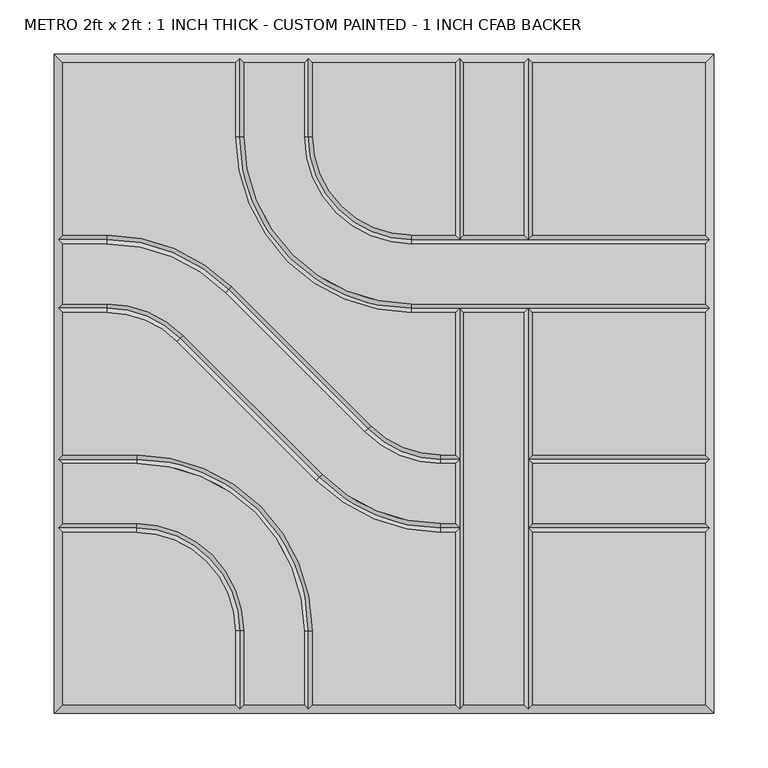
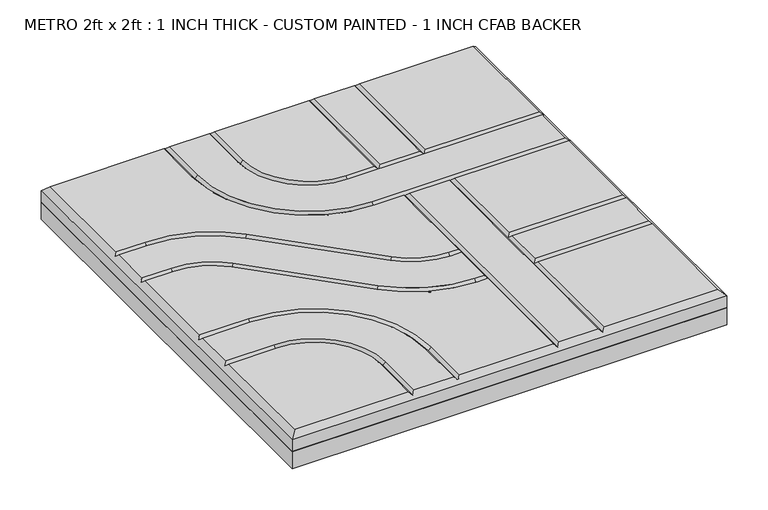
"""IFC4 building model written with IfcOpenShell, lengths in millimetres: proxy geometry, METRO 2ft x 2ft : 1 INCH THICK - CUSTOM PAINTED - 1 INCH CFAB BACKER."""

from ifc_helpers import new_model, si_unit, frame, origin, place, context, project, spatial, polyline, circle_curve, outline, extrude, source, transform, mapped, element, save
from ifc_brep_helpers import plane_surface, revolved_surface, advanced_brep


def metro_2ft_x_2ft_1_inch_thick_custom_painted_1_inch_cfab_8b982157(model_context):
    return source(origin(), model_context, "Body", "SolidModel", [
        extrude(outline(polyline([(-304.8, 304.8), (304.8, 304.8), (304.8, -304.8), (-304.8, -304.8), (-304.8, 304.8)])), frame((0.0, 0.0, -25.4), z_axis=(0.0, 0.0, 1.0), x_axis=(1.0, 0.0, 0.0)), (0.0, 0.0, 1.0), 25.4),
        advanced_brep(
        [(-296.799, 296.799, 25.4), (-296.799, 137.3505125, 25.4), (-255.8081898, 137.3505125, 25.4), (-140.7286116, 89.6843987, 25.4), (-11.9143433, -39.124488, 25.4), (52.607449, -65.8495, 25.4), (65.8495, -65.8495, 25.4), (65.8495, 65.8494982, 25.4), (25.3995376, 65.8494982, 25.4), (-137.3509624, 228.5999982, 25.4), (-137.3509624, 296.799, 25.4), (296.799, 137.3504983, 25.4), (296.799, 296.799, 25.4), (137.3504989, 296.799, 25.4), (137.3504989, 137.3504983, 25.4), (-296.799, -137.3504992, 25.4), (-296.799, -296.799, 25.4), (-137.3505299, -296.799, 25.4), (-137.3505299, -228.5999992, 25.4), (-228.6000299, -137.3504992, 25.4), (137.3505, -296.799, 25.4), (296.799, -296.799, 25.4), (296.799, -137.3505, 25.4), (137.3505, -137.3505, 25.4), (52.607449, -73.8505, 25.4), (-17.5717865, -44.7821676, 25.4), (-146.3860548, 84.0267191, 25.4), (-255.8081898, 129.3495125, 25.4), (-296.799, 129.3495125, 25.4), (-296.799, 73.8505125, 25.4), (-255.8074396, 73.8505125, 25.4), (-185.6278585, 44.7818346, 25.4), (-56.8157432, -84.0261678, 25.4), (52.6069307, -129.3495, 25.4), (65.8495, -129.3495, 25.4), (65.8495, -73.8505, 25.4), (52.6069307, -137.3505, 25.4), (-62.4732142, -89.6838195, 25.4), (-191.2853295, 39.1241829, 25.4), (-255.8074396, 65.8495125, 25.4), (-296.799, 65.8495125, 25.4), (-296.799, -65.8494992, 25.4), (-228.6000171, -65.8494992, 25.4), (-65.8495171, -228.5999992, 25.4), (-65.8495171, -296.799, 25.4), (65.8495, -296.799, 25.4), (65.8495, -137.3505, 25.4), (-129.3495299, -228.5999992, 25.4), (-129.3495299, -296.799, 25.4), (-73.8505171, -296.799, 25.4), (-73.8505171, -228.5999992, 25.4), (-228.6000171, -73.8504992, 25.4), (-296.799, -73.8504992, 25.4), (-296.799, -129.3494992, 25.4), (-228.6000299, -129.3494992, 25.4), (-129.3499624, 296.799, 25.4), (-129.3499624, 228.5999982, 25.4), (25.3995376, 73.8504982, 25.4), (296.799, 73.8504982, 25.4), (296.799, 129.3494983, 25.4), (25.3995504, 129.3494983, 25.4), (-73.8509496, 228.5999983, 25.4), (-73.8509496, 296.799, 25.4), (-65.8499496, 296.799, 25.4), (-65.8499496, 228.5999983, 25.4), (25.3995504, 137.3504983, 25.4), (65.8494989, 137.3504983, 25.4), (65.8494989, 296.799, 25.4), (73.8504989, 296.799, 25.4), (73.8504989, 137.3504983, 25.4), (129.3494989, 137.3504983, 25.4), (129.3494989, 296.799, 25.4), (73.8505, 65.8494982, 25.4), (73.8505, -296.799, 25.4), (129.3495, -296.799, 25.4), (129.3495, 65.8494982, 25.4), (296.799, 65.8494982, 25.4), (137.3505, 65.8494982, 25.4), (137.3505, -65.8495, 25.4), (296.799, -65.8495, 25.4), (137.3505, -129.3495, 25.4), (296.799, -129.3495, 25.4), (296.799, -73.8505, 25.4), (137.3505, -73.8505, 25.4), (-304.8, 304.8, 0.0), (304.8, 304.8, 0.0), (304.8, -304.8, 0.0), (-304.8, -304.8, 0.0), (-304.8, -304.8, 17.399), (-304.8, 304.8, 17.399), (304.8, -304.8, 17.399), (304.8, 304.8, 17.399), (-133.3504624, 300.7995, 21.3995), (-69.8504496, 300.7995, 21.3995), (69.8499989, 300.7995, 21.3995), (133.3499989, 300.7995, 21.3995), (-300.7995, -133.3499992, 21.3995), (-300.7995, -69.8499992, 21.3995), (-300.7995, 69.8500125, 21.3995), (-300.7995, 133.3500125, 21.3995), (133.35, -300.7995, 21.3995), (69.85, -300.7995, 21.3995), (-69.8500171, -300.7995, 21.3995), (-133.3500299, -300.7995, 21.3995), (300.7995, 133.3499983, 21.3995), (300.7995, 69.8499982, 21.3995), (300.7995, -69.85, 21.3995), (300.7995, -133.35, 21.3995), (69.85, -69.85, 21.3995), (52.607449, -69.85, 21.3995), (-14.7430649, -41.9533278, 21.3995), (-143.5573332, 86.8555589, 21.3995), (-255.8081898, 133.3500125, 21.3995), (69.85, -133.35, 21.3995), (52.6069307, -133.35, 21.3995), (-59.6444787, -86.8549936, 21.3995), (-188.456594, 41.9530087, 21.3995), (-255.8074396, 69.8500125, 21.3995), (-133.3500299, -228.5999992, 21.3995), (-228.6000299, -133.3499992, 21.3995), (-228.6000171, -69.8499992, 21.3995), (-69.8500171, -228.5999992, 21.3995), (-133.3504624, 228.5999982, 21.3995), (25.3995376, 69.8499982, 21.3995), (69.85, 69.8499982, 21.3995), (133.35, 69.8499982, 21.3995), (-69.8504496, 228.5999983, 21.3995), (25.3995504, 133.3499983, 21.3995), (133.3499989, 133.3499983, 21.3995), (69.8499989, 133.3499983, 21.3995), (133.35, -133.35, 21.3995), (133.35, -69.85, 21.3995)],
        [
            (0, 1),
            (1, 2),
            (2, 3, circle_curve(frame((-255.8081898, -25.3999875, 25.4), z_axis=(0.0, 0.0, -1.0), x_axis=(0.7070920101993013, 0.7071215518652442, 0.0)), 162.7505)),
            (3, 4),
            (4, 5, circle_curve(frame((52.607449, 25.4, 25.4), z_axis=(0.0, 0.0, 1.0), x_axis=(0.0, -1.0, 0.0)), 91.2495)),
            (5, 6),
            (6, 7),
            (7, 8),
            (8, 9, circle_curve(frame((25.3995376, 228.5999982, 25.4), z_axis=(0.0, 0.0, -1.0), x_axis=(-1.0, 0.0, 0.0)), 162.7505)),
            (9, 10),
            (10, 0),
            (11, 12),
            (12, 13),
            (13, 14),
            (14, 11),
            (15, 16),
            (16, 17),
            (17, 18),
            (18, 19, circle_curve(frame((-228.6000299, -228.5999992, 25.4), z_axis=(0.0, 0.0, 1.0), x_axis=(1.0, 0.0, 0.0)), 91.2495)),
            (19, 15),
            (20, 21),
            (21, 22),
            (22, 23),
            (23, 20),
            (24, 25, circle_curve(frame((52.607449, 25.4, 25.4), z_axis=(0.0, 0.0, -1.0), x_axis=(0.0, -1.0, 0.0)), 99.2505)),
            (25, 26),
            (26, 27, circle_curve(frame((-255.8081898, -25.3999875, 25.4), z_axis=(0.0, 0.0, 1.0), x_axis=(0.7070920101993013, 0.7071215518652442, 0.0)), 154.7495)),
            (27, 28),
            (28, 29),
            (29, 30),
            (30, 31, circle_curve(frame((-255.8074396, -25.3999875, 25.4), z_axis=(0.0, 0.0, -1.0), x_axis=(0.7070954919838734, 0.7071180702089884, 0.0)), 99.2505)),
            (31, 32),
            (32, 33, circle_curve(frame((52.6069307, 25.4, 25.4), z_axis=(0.0, 0.0, 1.0), x_axis=(0.0, -1.0, 0.0)), 154.7495)),
            (33, 34),
            (34, 35),
            (35, 24),
            (36, 37, circle_curve(frame((52.6069307, 25.4, 25.4), z_axis=(0.0, 0.0, -1.0), x_axis=(0.0, -1.0, 0.0)), 162.7505)),
            (37, 38),
            (38, 39, circle_curve(frame((-255.8074396, -25.3999875, 25.4), z_axis=(0.0, 0.0, 1.0), x_axis=(0.7070954919838734, 0.7071180702089884, 0.0)), 91.2495)),
            (39, 40),
            (40, 41),
            (41, 42),
            (42, 43, circle_curve(frame((-228.6000171, -228.5999992, 25.4), z_axis=(0.0, 0.0, -1.0), x_axis=(0.0, 1.0, 0.0)), 162.7505)),
            (43, 44),
            (44, 45),
            (45, 46),
            (46, 36),
            (47, 48),
            (48, 49),
            (49, 50),
            (50, 51, circle_curve(frame((-228.6000171, -228.5999992, 25.4), z_axis=(0.0, 0.0, 1.0), x_axis=(0.0, 1.0, 0.0)), 154.7495)),
            (51, 52),
            (52, 53),
            (53, 54),
            (54, 47, circle_curve(frame((-228.6000299, -228.5999992, 25.4), z_axis=(0.0, 0.0, -1.0), x_axis=(1.0, 0.0, 0.0)), 99.2505)),
            (55, 56),
            (56, 57, circle_curve(frame((25.3995376, 228.5999982, 25.4), z_axis=(0.0, 0.0, 1.0), x_axis=(-1.0, 0.0, 0.0)), 154.7495)),
            (57, 58),
            (58, 59),
            (59, 60),
            (60, 61, circle_curve(frame((25.3995504, 228.5999983, 25.4), z_axis=(0.0, 0.0, -1.0), x_axis=(-1.0, 0.0, 0.0)), 99.2505)),
            (61, 62),
            (62, 55),
            (63, 64),
            (64, 65, circle_curve(frame((25.3995504, 228.5999983, 25.4), z_axis=(0.0, 0.0, 1.0), x_axis=(-1.0, 0.0, 0.0)), 91.2495)),
            (65, 66),
            (66, 67),
            (67, 63),
            (68, 69),
            (69, 70),
            (70, 71),
            (71, 68),
            (72, 73),
            (73, 74),
            (74, 75),
            (75, 72),
            (76, 77),
            (77, 78),
            (78, 79),
            (79, 76),
            (80, 81),
            (81, 82),
            (82, 83),
            (83, 80),
            (84, 85),
            (85, 86),
            (86, 87),
            (87, 84),
            (87, 88),
            (88, 89),
            (89, 84),
            (86, 90),
            (90, 88),
            (85, 91),
            (91, 90),
            (89, 91),
            (89, 0),
            (10, 92),
            (92, 55),
            (62, 93),
            (93, 63),
            (67, 94),
            (94, 68),
            (71, 95),
            (95, 13),
            (12, 91),
            (88, 16),
            (15, 96),
            (96, 53),
            (52, 97),
            (97, 41),
            (40, 98),
            (98, 29),
            (28, 99),
            (99, 1),
            (90, 21),
            (20, 100),
            (100, 74),
            (73, 101),
            (101, 45),
            (44, 102),
            (102, 49),
            (48, 103),
            (103, 17),
            (11, 104),
            (104, 59),
            (58, 105),
            (105, 76),
            (79, 106),
            (106, 82),
            (81, 107),
            (107, 22),
            (108, 109),
            (109, 24),
            (35, 108),
            (108, 6),
            (5, 109),
            (109, 110, circle_curve(frame((52.607449, 25.4, 21.3995), z_axis=(0.0, 0.0, -1.0), x_axis=(0.0, -1.0, 0.0)), 95.25)),
            (110, 25),
            (4, 110),
            (110, 111),
            (111, 26),
            (3, 111),
            (111, 112, circle_curve(frame((-255.8081898, -25.3999875, 21.3995), z_axis=(0.0, 0.0, 1.0), x_axis=(0.7070920101993013, 0.7071215518652442, 0.0)), 158.75)),
            (112, 27),
            (2, 112),
            (112, 99),
            (113, 114),
            (114, 36),
            (46, 113),
            (113, 34),
            (33, 114),
            (114, 115, circle_curve(frame((52.6069307, 25.4, 21.3995), z_axis=(0.0, 0.0, -1.0), x_axis=(0.0, -1.0, 0.0)), 158.75)),
            (115, 37),
            (32, 115),
            (115, 116),
            (116, 38),
            (31, 116),
            (116, 117, circle_curve(frame((-255.8074396, -25.3999875, 21.3995), z_axis=(0.0, 0.0, 1.0), x_axis=(0.7070954919838734, 0.7071180702089884, 0.0)), 95.25)),
            (117, 39),
            (30, 117),
            (117, 98),
            (118, 18),
            (103, 118),
            (47, 118),
            (118, 119, circle_curve(frame((-228.6000299, -228.5999992, 21.3995), z_axis=(0.0, 0.0, 1.0), x_axis=(1.0, 0.0, 0.0)), 95.25)),
            (119, 19),
            (54, 119),
            (119, 96),
            (120, 42),
            (97, 120),
            (51, 120),
            (120, 121, circle_curve(frame((-228.6000171, -228.5999992, 21.3995), z_axis=(0.0, 0.0, -1.0), x_axis=(0.0, 1.0, 0.0)), 158.75)),
            (121, 43),
            (50, 121),
            (121, 102),
            (122, 56),
            (92, 122),
            (9, 122),
            (122, 123, circle_curve(frame((25.3995376, 228.5999982, 21.3995), z_axis=(0.0, 0.0, 1.0), x_axis=(-1.0, 0.0, 0.0)), 158.75)),
            (123, 57),
            (8, 123),
            (123, 124),
            (124, 125),
            (125, 105),
            (125, 77),
            (7, 124),
            (124, 72),
            (75, 125),
            (126, 64),
            (93, 126),
            (61, 126),
            (126, 127, circle_curve(frame((25.3995504, 228.5999983, 21.3995), z_axis=(0.0, 0.0, 1.0), x_axis=(-1.0, 0.0, 0.0)), 95.25)),
            (127, 65),
            (60, 127),
            (14, 128),
            (128, 104),
            (127, 129),
            (129, 66),
            (69, 129),
            (129, 128),
            (128, 70),
            (129, 94),
            (128, 95),
            (108, 124),
            (113, 108),
            (101, 113),
            (100, 130),
            (130, 131),
            (131, 125),
            (23, 130),
            (131, 78),
            (130, 80),
            (83, 131),
            (107, 130),
            (106, 131),
        ],
        [
            plane_surface(frame((-304.8, 304.8, 25.4), z_axis=(0.0, 0.0, 1.0), x_axis=(0.0, -1.0, 0.0))),
            plane_surface(frame((-304.8, 304.8, 0.0), z_axis=(0.0, 0.0, -1.0), x_axis=(0.0, 1.0, 0.0))),
            plane_surface(frame((-304.8, 304.8, 25.4), z_axis=(-1.0, 0.0, 0.0), x_axis=(0.0, 0.0, -1.0))),
            plane_surface(frame((-304.8, -304.8, 25.4), z_axis=(0.0, -1.0, 0.0), x_axis=(0.0, 0.0, -1.0))),
            plane_surface(frame((304.8, -304.8, 25.4), z_axis=(1.0, 0.0, 0.0), x_axis=(0.0, 0.0, -1.0))),
            plane_surface(frame((304.8, 304.8, 25.4), z_axis=(0.0, 1.0, 0.0), x_axis=(0.0, 0.0, -1.0))),
            plane_surface(frame((296.799, 296.799, 25.4), z_axis=(0.0, 0.707106781186547, 0.7071067811865481), x_axis=(-1.0, 0.0, 0.0))),
            plane_surface(frame((-296.799, 296.799, 25.4), z_axis=(-0.707106781186547, 0.0, 0.7071067811865481), x_axis=(0.0, -1.0, 0.0))),
            plane_surface(frame((-296.799, -296.799, 25.4), z_axis=(0.0, -0.707106781186547, 0.7071067811865481), x_axis=(1.0, 0.0, 0.0))),
            plane_surface(frame((296.799, -296.799, 25.4), z_axis=(0.707106781186547, 0.0, 0.7071067811865481), x_axis=(0.0, 1.0, 0.0))),
            plane_surface(frame((69.85, -73.8505, 25.4), z_axis=(0.0, 0.707106781186547, 0.7071067811865482), x_axis=(-1.0, 0.0, 0.0))),
            plane_surface(frame((69.85, -69.85, 21.3995), z_axis=(0.0, -0.707106781186547, 0.7071067811865482), x_axis=(-1.0, 0.0, 0.0))),
            revolved_surface(polyline([(52.607449, -69.85, 21.3995), (52.607449, -73.8505, 25.4)]), (52.607449, 25.4, 25.4), (0.0, 0.0, -1.0)),
            revolved_surface(polyline([(52.607449, -65.8495, 25.4), (52.607449, -69.85, 21.3995)]), (52.607449, 25.4, 25.4), (0.0, 0.0, -1.0)),
            plane_surface(frame((-17.5717865, -44.7821676, 25.4), z_axis=(0.499989555334753, 0.5000104444470689, 0.707106781186548), x_axis=(-0.7071215518652443, 0.7070920101993012, 0.0))),
            plane_surface(frame((-14.7430649, -41.9533278, 21.3995), z_axis=(-0.499989555334753, -0.5000104444470688, 0.7071067811865481), x_axis=(-0.7071215518652442, 0.7070920101993012, 0.0))),
            revolved_surface(polyline([(-143.5573332, 86.8555589, 21.3995), (-146.3860548, 84.0267191, 25.4)]), (-255.8081898, -25.3999875, 25.4), (0.0, 0.0, 1.0)),
            revolved_surface(polyline([(-140.7286116, 89.6843987, 25.4), (-143.5573332, 86.8555589, 21.3995)]), (-255.8081898, -25.3999875, 25.4), (0.0, 0.0, 1.0)),
            plane_surface(frame((-255.8081898, 129.3495125, 25.4), z_axis=(0.0, 0.707106781186547, 0.7071067811865481), x_axis=(-1.0, 0.0, 0.0))),
            plane_surface(frame((-255.8081898, 133.3500125, 21.3995), z_axis=(0.0, -0.707106781186547, 0.7071067811865481), x_axis=(-1.0, 0.0, 0.0))),
            plane_surface(frame((69.85, -137.3505, 25.4), z_axis=(0.0, 0.707106781186547, 0.707106781186548), x_axis=(-1.0, 0.0, 0.0))),
            plane_surface(frame((69.85, -133.35, 21.3995), z_axis=(0.0, -0.707106781186547, 0.707106781186548), x_axis=(-1.0, 0.0, 0.0))),
            revolved_surface(polyline([(52.6069307, -133.35, 21.3995), (52.6069307, -137.3505, 25.4)]), (52.6069307, 25.4, 25.4), (0.0, 0.0, -1.0)),
            revolved_surface(polyline([(52.6069307, -129.3495, 25.4), (52.6069307, -133.35, 21.3995)]), (52.6069307, 25.4, 25.4), (0.0, 0.0, -1.0)),
            plane_surface(frame((-62.4732142, -89.6838195, 25.4), z_axis=(0.4999920173282346, 0.5000079825443209, 0.7071067811865481), x_axis=(-0.7071180702089888, 0.7070954919838733, 0.0))),
            plane_surface(frame((-59.6444787, -86.8549936, 21.3995), z_axis=(-0.4999920173282346, -0.5000079825443209, 0.7071067811865481), x_axis=(-0.7071180702089888, 0.7070954919838733, 0.0))),
            revolved_surface(polyline([(-188.456594, 41.9530087, 21.3995), (-191.2853295, 39.1241829, 25.4)]), (-255.8074396, -25.3999875, 25.4), (0.0, 0.0, 1.0)),
            revolved_surface(polyline([(-185.6278585, 44.7818346, 25.4), (-188.456594, 41.9530087, 21.3995)]), (-255.8074396, -25.3999875, 25.4), (0.0, 0.0, 1.0)),
            plane_surface(frame((-255.8074396, 65.8495125, 25.4), z_axis=(0.0, 0.707106781186547, 0.7071067811865481), x_axis=(-1.0, 0.0, 0.0))),
            plane_surface(frame((-255.8074396, 69.8500125, 21.3995), z_axis=(0.0, -0.707106781186547, 0.7071067811865481), x_axis=(-1.0, 0.0, 0.0))),
            plane_surface(frame((-137.3505299, -304.8, 25.4), z_axis=(0.707106781186547, 0.0, 0.7071067811865481), x_axis=(0.0, 1.0, 0.0))),
            plane_surface(frame((-133.3500299, -304.8, 21.3995), z_axis=(-0.707106781186547, 0.0, 0.7071067811865481), x_axis=(0.0, 1.0, 0.0))),
            revolved_surface(polyline([(-133.3500299, -228.5999992, 21.3995), (-137.3505299, -228.5999992, 25.4)]), (-228.6000299, -228.5999992, 25.4), (0.0, 0.0, 1.0)),
            revolved_surface(polyline([(-129.3495299, -228.5999992, 25.4), (-133.3500299, -228.5999992, 21.3995)]), (-228.6000299, -228.5999992, 25.4), (0.0, 0.0, 1.0)),
            plane_surface(frame((-228.6000299, -137.3504992, 25.4), z_axis=(0.0, 0.707106781186547, 0.7071067811865481), x_axis=(-1.0, 0.0, 0.0))),
            plane_surface(frame((-228.6000299, -133.3499992, 21.3995), z_axis=(0.0, -0.707106781186547, 0.7071067811865481), x_axis=(-1.0, 0.0, 0.0))),
            plane_surface(frame((-304.8, -65.8494992, 25.4), z_axis=(0.0, -0.707106781186547, 0.7071067811865481), x_axis=(1.0, 0.0, 0.0))),
            plane_surface(frame((-304.8, -69.8499992, 21.3995), z_axis=(0.0, 0.707106781186547, 0.7071067811865481), x_axis=(1.0, 0.0, 0.0))),
            revolved_surface(polyline([(-228.6000171, -69.8499992, 21.3995), (-228.6000171, -65.8494992, 25.4)]), (-228.6000171, -228.5999992, 25.4), (0.0, 0.0, -1.0)),
            revolved_surface(polyline([(-228.6000171, -73.8504992, 25.4), (-228.6000171, -69.8499992, 21.3995)]), (-228.6000171, -228.5999992, 25.4), (0.0, 0.0, -1.0)),
            plane_surface(frame((-65.8495171, -228.5999992, 25.4), z_axis=(-0.707106781186547, 0.0, 0.7071067811865481), x_axis=(0.0, -1.0, 0.0))),
            plane_surface(frame((-69.8500171, -228.5999992, 21.3995), z_axis=(0.707106781186547, 0.0, 0.7071067811865481), x_axis=(0.0, -1.0, 0.0))),
            plane_surface(frame((-129.3499624, 304.8, 25.4), z_axis=(-0.707106781186547, 0.0, 0.7071067811865481), x_axis=(0.0, -1.0, 0.0))),
            plane_surface(frame((-133.3504624, 304.8, 21.3995), z_axis=(0.707106781186547, 0.0, 0.7071067811865481), x_axis=(0.0, -1.0, 0.0))),
            revolved_surface(polyline([(-133.3504624, 228.5999982, 21.3995), (-129.3499624, 228.5999982, 25.4)]), (25.3995376, 228.5999982, 25.4), (0.0, 0.0, 1.0)),
            revolved_surface(polyline([(-137.3509624, 228.5999982, 25.4), (-133.3504624, 228.5999982, 21.3995)]), (25.3995376, 228.5999982, 25.4), (0.0, 0.0, 1.0)),
            plane_surface(frame((25.3995376, 73.8504982, 25.4), z_axis=(0.0, -0.707106781186547, 0.7071067811865481), x_axis=(1.0, 0.0, 0.0))),
            plane_surface(frame((25.3995376, 69.8499982, 21.3995), z_axis=(0.0, 0.707106781186547, 0.7071067811865481), x_axis=(1.0, 0.0, 0.0))),
            plane_surface(frame((-65.8499496, 304.8, 25.4), z_axis=(-0.707106781186547, 0.0, 0.7071067811865481), x_axis=(0.0, -1.0, 0.0))),
            plane_surface(frame((-69.8504496, 304.8, 21.3995), z_axis=(0.707106781186547, 0.0, 0.7071067811865481), x_axis=(0.0, -1.0, 0.0))),
            revolved_surface(polyline([(-69.8504496, 228.5999983, 21.3995), (-65.8499496, 228.5999983, 25.4)]), (25.3995504, 228.5999983, 25.4), (0.0, 0.0, 1.0)),
            revolved_surface(polyline([(-73.8509496, 228.5999983, 25.4), (-69.8504496, 228.5999983, 21.3995)]), (25.3995504, 228.5999983, 25.4), (0.0, 0.0, 1.0)),
            plane_surface(frame((25.3995504, 137.3504983, 25.4), z_axis=(0.0, -0.707106781186547, 0.7071067811865481), x_axis=(1.0, 0.0, 0.0))),
            plane_surface(frame((25.3995504, 133.3499983, 21.3995), z_axis=(0.0, 0.707106781186547, 0.7071067811865481), x_axis=(1.0, 0.0, 0.0))),
            plane_surface(frame((65.8494989, 133.35, 25.4), z_axis=(0.707106781186547, 0.0, 0.7071067811865481), x_axis=(0.0, 1.0, 0.0))),
            plane_surface(frame((69.8499989, 133.35, 21.3995), z_axis=(-0.707106781186547, 0.0, 0.7071067811865481), x_axis=(0.0, 1.0, 0.0))),
            plane_surface(frame((129.3494989, 133.35, 25.4), z_axis=(0.707106781186547, 0.0, 0.7071067811865481), x_axis=(0.0, 1.0, 0.0))),
            plane_surface(frame((133.3499989, 133.35, 21.3995), z_axis=(-0.707106781186547, 0.0, 0.7071067811865481), x_axis=(0.0, 1.0, 0.0))),
            plane_surface(frame((65.8495, -304.8, 25.4), z_axis=(0.707106781186547, 0.0, 0.7071067811865481), x_axis=(0.0, 1.0, 0.0))),
            plane_surface(frame((69.85, -304.8, 21.3995), z_axis=(-0.707106781186547, 0.0, 0.7071067811865481), x_axis=(0.0, 1.0, 0.0))),
            plane_surface(frame((129.3495, -304.8, 25.4), z_axis=(0.707106781186547, 0.0, 0.7071067811865481), x_axis=(0.0, 1.0, 0.0))),
            plane_surface(frame((133.35, -304.8, 21.3995), z_axis=(-0.707106781186547, 0.0, 0.7071067811865481), x_axis=(0.0, 1.0, 0.0))),
            plane_surface(frame((304.8, -137.3505, 25.4), z_axis=(0.0, 0.707106781186547, 0.7071067811865481), x_axis=(-1.0, 0.0, 0.0))),
            plane_surface(frame((304.8, -133.35, 21.3995), z_axis=(0.0, -0.707106781186547, 0.7071067811865481), x_axis=(-1.0, 0.0, 0.0))),
            plane_surface(frame((304.8, -73.8505, 25.4), z_axis=(0.0, 0.707106781186547, 0.7071067811865481), x_axis=(-1.0, 0.0, 0.0))),
            plane_surface(frame((304.8, -69.85, 21.3995), z_axis=(0.0, -0.707106781186547, 0.7071067811865481), x_axis=(-1.0, 0.0, 0.0))),
        ],
        [
            (0, [[1, 2, 3, 4, 5, 6, 7, 8, 9, 10, 11]]),
            (0, [[12, 13, 14, 15]]),
            (0, [[16, 17, 18, 19, 20]]),
            (0, [[21, 22, 23, 24]]),
            (0, [[25, 26, 27, 28, 29, 30, 31, 32, 33, 34, 35, 36]]),
            (0, [[37, 38, 39, 40, 41, 42, 43, 44, 45, 46, 47]]),
            (0, [[48, 49, 50, 51, 52, 53, 54, 55]]),
            (0, [[56, 57, 58, 59, 60, 61, 62, 63]]),
            (0, [[64, 65, 66, 67, 68]]),
            (0, [[69, 70, 71, 72]]),
            (0, [[73, 74, 75, 76]]),
            (0, [[77, 78, 79, 80]]),
            (0, [[81, 82, 83, 84]]),
            (1, [[85, 86, 87, 88]]),
            (2, [[-88, 89, 90, 91]]),
            (3, [[-87, 92, 93, -89]]),
            (4, [[-86, 94, 95, -92]]),
            (5, [[-85, -91, 96, -94]]),
            (6, [[97, -11, 98, 99, -63, 100, 101, -68, 102, 103, -72, 104, 105, -13, 106, -96]]),
            (7, [[-97, -90, 107, -16, 108, 109, -53, 110, 111, -41, 112, 113, -29, 114, 115, -1]]),
            (8, [[-107, -93, 116, -21, 117, 118, -74, 119, 120, -45, 121, 122, -49, 123, 124, -17]]),
            (9, [[-106, -12, 125, 126, -59, 127, 128, -80, 129, 130, -82, 131, 132, -22, -116, -95]]),
            (10, [[133, 134, -36, 135]]),
            (11, [[-133, 136, -6, 137]]),
            (12, [[-134, 138, 139, -25]]),
            (13, [[-137, -5, 140, -138]]),
            (14, [[-139, 141, 142, -26]]),
            (15, [[-140, -4, 143, -141]]),
            (16, [[-142, 144, 145, -27]]),
            (17, [[-143, -3, 146, -144]]),
            (18, [[-145, 147, -114, -28]]),
            (19, [[-146, -2, -115, -147]]),
            (20, [[148, 149, -47, 150]]),
            (21, [[-148, 151, -34, 152]]),
            (22, [[-149, 153, 154, -37]]),
            (23, [[-152, -33, 155, -153]]),
            (24, [[-154, 156, 157, -38]]),
            (25, [[-155, -32, 158, -156]]),
            (26, [[-157, 159, 160, -39]]),
            (27, [[-158, -31, 161, -159]]),
            (28, [[-160, 162, -112, -40]]),
            (29, [[-161, -30, -113, -162]]),
            (30, [[163, -18, -124, 164]]),
            (31, [[165, -164, -123, -48]]),
            (32, [[-163, 166, 167, -19]]),
            (33, [[-165, -55, 168, -166]]),
            (34, [[-167, 169, -108, -20]]),
            (35, [[-168, -54, -109, -169]]),
            (36, [[170, -42, -111, 171]]),
            (37, [[172, -171, -110, -52]]),
            (38, [[-170, 173, 174, -43]]),
            (39, [[-172, -51, 175, -173]]),
            (40, [[-174, 176, -121, -44]]),
            (41, [[-175, -50, -122, -176]]),
            (42, [[177, -56, -99, 178]]),
            (43, [[179, -178, -98, -10]]),
            (44, [[-177, 180, 181, -57]]),
            (45, [[-179, -9, 182, -180]]),
            (46, [[-181, 183, 184, 185, -127, -58]]),
            (47, [[-128, -185, 186, -77]]),
            (47, [[-182, -8, 187, -183]]),
            (47, [[188, -76, 189, -184]]),
            (48, [[190, -64, -101, 191]]),
            (49, [[192, -191, -100, -62]]),
            (50, [[-190, 193, 194, -65]]),
            (51, [[-192, -61, 195, -193]]),
            (52, [[-125, -15, 196, 197]]),
            (52, [[-194, 198, 199, -66]]),
            (52, [[200, 201, 202, -70]]),
            (53, [[-195, -60, -126, -197, -201, -198]]),
            (54, [[203, -102, -67, -199]]),
            (55, [[-203, -200, -69, -103]]),
            (56, [[204, -104, -71, -202]]),
            (57, [[-204, -196, -14, -105]]),
            (58, [[205, -187, -7, -136]]),
            (58, [[206, -135, -35, -151]]),
            (58, [[207, -150, -46, -120]]),
            (59, [[-205, -206, -207, -119, -73, -188]]),
            (60, [[-75, -118, 208, 209, 210, -189]]),
            (61, [[-117, -24, 211, -208]]),
            (61, [[-186, -210, 212, -78]]),
            (61, [[213, -84, 214, -209]]),
            (62, [[215, -211, -23, -132]]),
            (63, [[-215, -131, -81, -213]]),
            (64, [[216, -214, -83, -130]]),
            (65, [[-216, -129, -79, -212]]),
        ],
    ),
    ])


if __name__ == "__main__":
    model = new_model("IFC4")
    model_context = context("Model", 3, world=origin())
    ifc_project = project(units=[si_unit("LENGTHUNIT", "METRE", prefix="MILLI")], contexts=[model_context])
    site = spatial("IfcSite", under=ifc_project)
    building = spatial("IfcBuilding", under=site)
    placement = place(None, origin())
    metro_2ft_x_2ft_1_inch_thick_custom_painted_1_inch_cfab_shape = metro_2ft_x_2ft_1_inch_thick_custom_painted_1_inch_cfab_8b982157(model_context)
    element("IfcBuildingElementProxy", 1, Name="METRO 2ft x 2ft : 1 INCH THICK - CUSTOM PAINTED - 1 INCH CFAB BACKER", ObjectType="METRO 2ft x 2ft : 1 INCH THICK - CUSTOM PAINTED - 1 INCH CFAB BACKER", at=placement, inside=building, context=model_context, shape_type="MappedRepresentation", body=[
        mapped(metro_2ft_x_2ft_1_inch_thick_custom_painted_1_inch_cfab_shape, transform((0.0, 0.0, 0.0), x_axis=(1.0, 0.0, 0.0), y_axis=(0.0, 1.0, 0.0), z_axis=(0.0, 0.0, 1.0))),
    ])
    save(model, "model.ifc")
